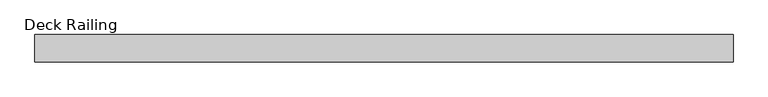
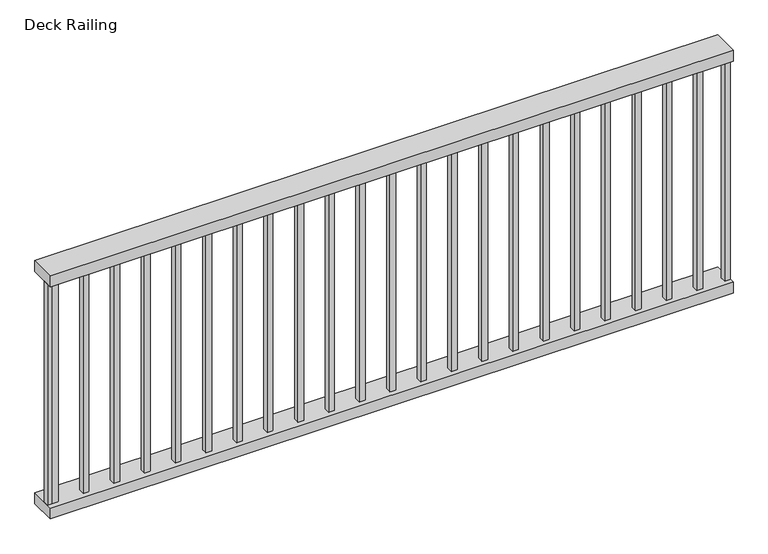
"""IFC4 building model written with IfcOpenShell, lengths in millimetres: railing geometry, Deck Railing."""

from ifc_helpers import new_model, si_unit, frame, origin, place, context, project, spatial, polyline, outline, extrude, source, transform, mapped, element, save


def deck_railing_49983958(model_context):
    return source(origin(), model_context, "Body", "SweptSolid", [
        extrude(outline(polyline([(-6385.8871552, -2430.5167866), (-6385.8871552, -2519.4167866), (-8646.4871552, -2519.4167866), (-8646.4871552, -2430.5167866), (-6385.8871552, -2430.5167866)])), frame((0.0, 0.0, 2095.5), z_axis=(0.0, 0.0, 1.0), x_axis=(1.0, 0.0, 0.0)), (0.0, 0.0, 1.0), 38.1),
        extrude(outline(polyline([(-6385.8871552, -2430.5167866), (-6385.8871552, -2519.4167866), (-8646.4871552, -2519.4167866), (-8646.4871552, -2430.5167866), (-6385.8871552, -2430.5167866)])), frame((0.0, 0.0, 1282.7), z_axis=(0.0, 0.0, 1.0), x_axis=(1.0, 0.0, 0.0)), (0.0, 0.0, 1.0), 38.1),
        extrude(outline(polyline([(-8611.5621552, -2484.4917866), (-8611.5621552, -2503.5417866), (-8630.6121552, -2503.5417866), (-8630.6121552, -2484.4917866), (-8611.5621552, -2484.4917866)])), frame((0.0, 0.0, 1320.8), z_axis=(0.0, 0.0, 1.0), x_axis=(1.0, 0.0, 0.0)), (0.0, 0.0, 1.0), 774.7),
        extrude(outline(polyline([(-8509.9621552, -2484.4917866), (-8509.9621552, -2503.5417866), (-8529.0121552, -2503.5417866), (-8529.0121552, -2484.4917866), (-8509.9621552, -2484.4917866)])), frame((0.0, 0.0, 1320.8), z_axis=(0.0, 0.0, 1.0), x_axis=(1.0, 0.0, 0.0)), (0.0, 0.0, 1.0), 774.7),
        extrude(outline(polyline([(-8408.3621552, -2484.4917866), (-8408.3621552, -2503.5417866), (-8427.4121552, -2503.5417866), (-8427.4121552, -2484.4917866), (-8408.3621552, -2484.4917866)])), frame((0.0, 0.0, 1320.8), z_axis=(0.0, 0.0, 1.0), x_axis=(1.0, 0.0, 0.0)), (0.0, 0.0, 1.0), 774.7),
        extrude(outline(polyline([(-8306.7621552, -2484.4917866), (-8306.7621552, -2503.5417866), (-8325.8121552, -2503.5417866), (-8325.8121552, -2484.4917866), (-8306.7621552, -2484.4917866)])), frame((0.0, 0.0, 1320.8), z_axis=(0.0, 0.0, 1.0), x_axis=(1.0, 0.0, 0.0)), (0.0, 0.0, 1.0), 774.7),
        extrude(outline(polyline([(-8205.1621552, -2484.4917866), (-8205.1621552, -2503.5417866), (-8224.2121552, -2503.5417866), (-8224.2121552, -2484.4917866), (-8205.1621552, -2484.4917866)])), frame((0.0, 0.0, 1320.8), z_axis=(0.0, 0.0, 1.0), x_axis=(1.0, 0.0, 0.0)), (0.0, 0.0, 1.0), 774.7),
        extrude(outline(polyline([(-8103.5621552, -2484.4917866), (-8103.5621552, -2503.5417866), (-8122.6121552, -2503.5417866), (-8122.6121552, -2484.4917866), (-8103.5621552, -2484.4917866)])), frame((0.0, 0.0, 1320.8), z_axis=(0.0, 0.0, 1.0), x_axis=(1.0, 0.0, 0.0)), (0.0, 0.0, 1.0), 774.7),
        extrude(outline(polyline([(-8001.9621552, -2484.4917866), (-8001.9621552, -2503.5417866), (-8021.0121552, -2503.5417866), (-8021.0121552, -2484.4917866), (-8001.9621552, -2484.4917866)])), frame((0.0, 0.0, 1320.8), z_axis=(0.0, 0.0, 1.0), x_axis=(1.0, 0.0, 0.0)), (0.0, 0.0, 1.0), 774.7),
        extrude(outline(polyline([(-7900.3621552, -2484.4917866), (-7900.3621552, -2503.5417866), (-7919.4121552, -2503.5417866), (-7919.4121552, -2484.4917866), (-7900.3621552, -2484.4917866)])), frame((0.0, 0.0, 1320.8), z_axis=(0.0, 0.0, 1.0), x_axis=(1.0, 0.0, 0.0)), (0.0, 0.0, 1.0), 774.7),
        extrude(outline(polyline([(-7798.7621552, -2484.4917866), (-7798.7621552, -2503.5417866), (-7817.8121552, -2503.5417866), (-7817.8121552, -2484.4917866), (-7798.7621552, -2484.4917866)])), frame((0.0, 0.0, 1320.8), z_axis=(0.0, 0.0, 1.0), x_axis=(1.0, 0.0, 0.0)), (0.0, 0.0, 1.0), 774.7),
        extrude(outline(polyline([(-7697.1621552, -2484.4917866), (-7697.1621552, -2503.5417866), (-7716.2121552, -2503.5417866), (-7716.2121552, -2484.4917866), (-7697.1621552, -2484.4917866)])), frame((0.0, 0.0, 1320.8), z_axis=(0.0, 0.0, 1.0), x_axis=(1.0, 0.0, 0.0)), (0.0, 0.0, 1.0), 774.7),
        extrude(outline(polyline([(-7595.5621552, -2484.4917866), (-7595.5621552, -2503.5417866), (-7614.6121552, -2503.5417866), (-7614.6121552, -2484.4917866), (-7595.5621552, -2484.4917866)])), frame((0.0, 0.0, 1320.8), z_axis=(0.0, 0.0, 1.0), x_axis=(1.0, 0.0, 0.0)), (0.0, 0.0, 1.0), 774.7),
        extrude(outline(polyline([(-7493.9621552, -2484.4917866), (-7493.9621552, -2503.5417866), (-7513.0121552, -2503.5417866), (-7513.0121552, -2484.4917866), (-7493.9621552, -2484.4917866)])), frame((0.0, 0.0, 1320.8), z_axis=(0.0, 0.0, 1.0), x_axis=(1.0, 0.0, 0.0)), (0.0, 0.0, 1.0), 774.7),
        extrude(outline(polyline([(-7392.3621552, -2484.4917866), (-7392.3621552, -2503.5417866), (-7411.4121552, -2503.5417866), (-7411.4121552, -2484.4917866), (-7392.3621552, -2484.4917866)])), frame((0.0, 0.0, 1320.8), z_axis=(0.0, 0.0, 1.0), x_axis=(1.0, 0.0, 0.0)), (0.0, 0.0, 1.0), 774.7),
        extrude(outline(polyline([(-7290.7621552, -2484.4917866), (-7290.7621552, -2503.5417866), (-7309.8121552, -2503.5417866), (-7309.8121552, -2484.4917866), (-7290.7621552, -2484.4917866)])), frame((0.0, 0.0, 1320.8), z_axis=(0.0, 0.0, 1.0), x_axis=(1.0, 0.0, 0.0)), (0.0, 0.0, 1.0), 774.7),
        extrude(outline(polyline([(-7189.1621552, -2484.4917866), (-7189.1621552, -2503.5417866), (-7208.2121552, -2503.5417866), (-7208.2121552, -2484.4917866), (-7189.1621552, -2484.4917866)])), frame((0.0, 0.0, 1320.8), z_axis=(0.0, 0.0, 1.0), x_axis=(1.0, 0.0, 0.0)), (0.0, 0.0, 1.0), 774.7),
        extrude(outline(polyline([(-7087.5621552, -2484.4917866), (-7087.5621552, -2503.5417866), (-7106.6121552, -2503.5417866), (-7106.6121552, -2484.4917866), (-7087.5621552, -2484.4917866)])), frame((0.0, 0.0, 1320.8), z_axis=(0.0, 0.0, 1.0), x_axis=(1.0, 0.0, 0.0)), (0.0, 0.0, 1.0), 774.7),
        extrude(outline(polyline([(-6985.9621552, -2484.4917866), (-6985.9621552, -2503.5417866), (-7005.0121552, -2503.5417866), (-7005.0121552, -2484.4917866), (-6985.9621552, -2484.4917866)])), frame((0.0, 0.0, 1320.8), z_axis=(0.0, 0.0, 1.0), x_axis=(1.0, 0.0, 0.0)), (0.0, 0.0, 1.0), 774.7),
        extrude(outline(polyline([(-6884.3621552, -2484.4917866), (-6884.3621552, -2503.5417866), (-6903.4121552, -2503.5417866), (-6903.4121552, -2484.4917866), (-6884.3621552, -2484.4917866)])), frame((0.0, 0.0, 1320.8), z_axis=(0.0, 0.0, 1.0), x_axis=(1.0, 0.0, 0.0)), (0.0, 0.0, 1.0), 774.7),
        extrude(outline(polyline([(-6782.7621552, -2484.4917866), (-6782.7621552, -2503.5417866), (-6801.8121552, -2503.5417866), (-6801.8121552, -2484.4917866), (-6782.7621552, -2484.4917866)])), frame((0.0, 0.0, 1320.8), z_axis=(0.0, 0.0, 1.0), x_axis=(1.0, 0.0, 0.0)), (0.0, 0.0, 1.0), 774.7),
        extrude(outline(polyline([(-6681.1621552, -2484.4917866), (-6681.1621552, -2503.5417866), (-6700.2121552, -2503.5417866), (-6700.2121552, -2484.4917866), (-6681.1621552, -2484.4917866)])), frame((0.0, 0.0, 1320.8), z_axis=(0.0, 0.0, 1.0), x_axis=(1.0, 0.0, 0.0)), (0.0, 0.0, 1.0), 774.7),
        extrude(outline(polyline([(-6579.5621552, -2484.4917866), (-6579.5621552, -2503.5417866), (-6598.6121552, -2503.5417866), (-6598.6121552, -2484.4917866), (-6579.5621552, -2484.4917866)])), frame((0.0, 0.0, 1320.8), z_axis=(0.0, 0.0, 1.0), x_axis=(1.0, 0.0, 0.0)), (0.0, 0.0, 1.0), 774.7),
        extrude(outline(polyline([(-6477.9621552, -2484.4917866), (-6477.9621552, -2503.5417866), (-6497.0121552, -2503.5417866), (-6497.0121552, -2484.4917866), (-6477.9621552, -2484.4917866)])), frame((0.0, 0.0, 1320.8), z_axis=(0.0, 0.0, 1.0), x_axis=(1.0, 0.0, 0.0)), (0.0, 0.0, 1.0), 774.7),
        extrude(outline(polyline([(-8627.4371552, -2484.4917866), (-8627.4371552, -2503.5417866), (-8646.4871552, -2503.5417866), (-8646.4871552, -2484.4917866), (-8627.4371552, -2484.4917866)])), frame((0.0, 0.0, 1320.8), z_axis=(0.0, 0.0, 1.0), x_axis=(1.0, 0.0, 0.0)), (0.0, 0.0, 1.0), 774.7),
        extrude(outline(polyline([(-6385.8871552, -2484.4917866), (-6385.8871552, -2503.5417866), (-6404.9371552, -2503.5417866), (-6404.9371552, -2484.4917866), (-6385.8871552, -2484.4917866)])), frame((0.0, 0.0, 1320.8), z_axis=(0.0, 0.0, 1.0), x_axis=(1.0, 0.0, 0.0)), (0.0, 0.0, 1.0), 774.7),
    ])


if __name__ == "__main__":
    model = new_model("IFC4")
    model_context = context("Model", 3, world=origin())
    ifc_project = project(units=[si_unit("LENGTHUNIT", "METRE", prefix="MILLI")], contexts=[model_context])
    site = spatial("IfcSite", under=ifc_project)
    building = spatial("IfcBuilding", under=site)
    placement = place(None, origin())
    deck_railing_shape = deck_railing_49983958(model_context)
    element("IfcRailing", 1, ObjectType="Deck Railing", at=placement, inside=building, context=model_context, shape_type="MappedRepresentation", body=[
        mapped(deck_railing_shape, transform((0.0, 0.0, 0.0), x_axis=(1.0, 0.0, 0.0), y_axis=(0.0, 1.0, 0.0), z_axis=(0.0, 0.0, 1.0))),
    ])
    save(model, "model.ifc")
